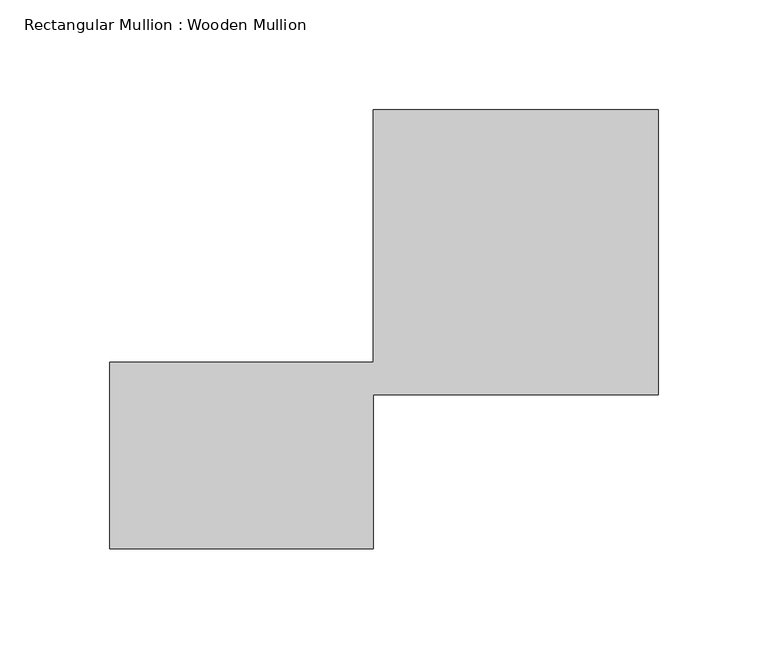
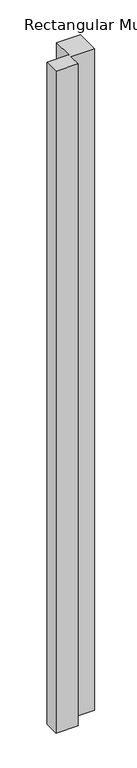
"""IFC4 building model written with IfcOpenShell, lengths in millimetres: member geometry, Rectangular Mullion : Wooden Mullion."""

from ifc_helpers import new_model, si_unit, frame, origin, place, context, project, spatial, polyline, outline, extrude, source, transform, mapped, element, save


def rectangular_mullion_wooden_mullion_4e3f29aa(model_context):
    return source(origin(), model_context, "Body", "SweptSolid", [
        extrude(outline(polyline([(74.8100006, -26.0137344), (-45.1899994, -26.0137344), (-45.1899994, 58.9862656), (74.8100006, 58.9862656), (74.8100006, 173.9862656), (204.8100006, 173.9862656), (204.8100006, 43.9862656), (74.8100006, 43.9862656), (74.8100006, -26.0137344)])), frame((0.0, 0.0, -3801.3856811), z_axis=(0.0, 0.0, 1.0), x_axis=(1.0, 0.0, 0.0)), (0.0, 0.0, 1.0), 3801.3856811),
    ])


if __name__ == "__main__":
    model = new_model("IFC4")
    model_context = context("Model", 3, world=origin())
    ifc_project = project(units=[si_unit("LENGTHUNIT", "METRE", prefix="MILLI")], contexts=[model_context])
    site = spatial("IfcSite", under=ifc_project)
    building = spatial("IfcBuilding", under=site)
    placement = place(None, origin())
    rectangular_mullion_wooden_mullion_shape = rectangular_mullion_wooden_mullion_4e3f29aa(model_context)
    element("IfcMember", 1, ObjectType="Rectangular Mullion : Wooden Mullion", at=placement, inside=building, context=model_context, shape_type="MappedRepresentation", body=[
        mapped(rectangular_mullion_wooden_mullion_shape, transform((0.0, 0.0, 0.0), x_axis=(1.0, 0.0, 0.0), y_axis=(0.0, 1.0, 0.0), z_axis=(0.0, 0.0, 1.0))),
    ])
    save(model, "model.ifc")
